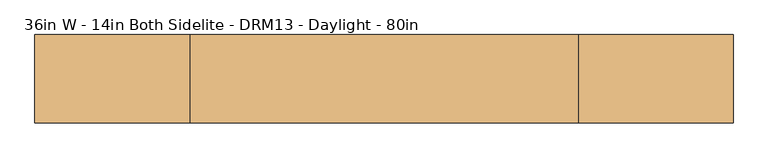
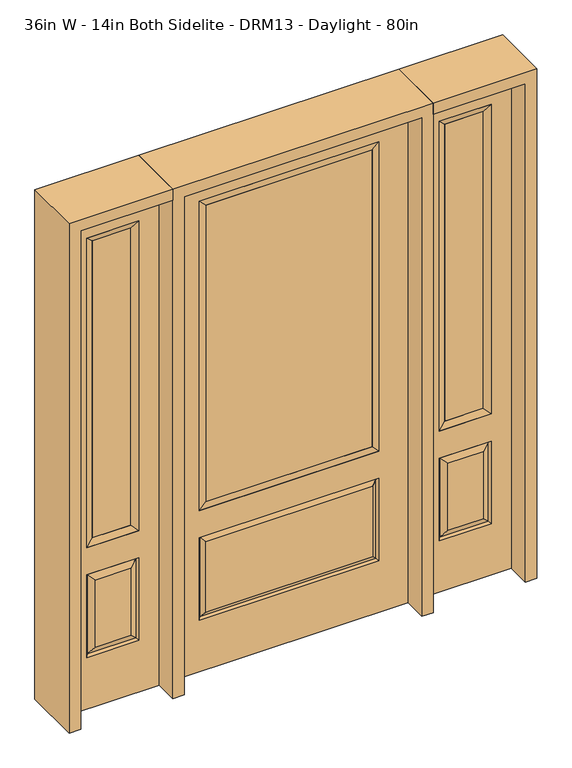
"""IFC4 building model written with IfcOpenShell, lengths in millimetres: door geometry, 36in W - 14in Both Sidelite - DRM13 - Daylight - 80in."""

from ifc_helpers import new_model, si_unit, frame, origin, place, context, project, spatial, polyline, outline, extrude, faceted_brep, source, transform, mapped, element, save


def door_36in_w_14in_both_sidelite_drm13_daylight_80in_899e8d08(model_context):
    return source(origin(), model_context, "Body", "SolidModel", [
        faceted_brep([(501.65, -22.225, 0.0), (857.25, -22.225, 0.0), (857.25, -22.225, 2032.0), (501.65, -22.225, 2032.0), (779.78, -22.225, 1919.224), (779.78, -22.225, 657.098), (579.12, -22.225, 657.098), (579.12, -22.225, 1919.224), (779.78, -22.225, 209.55), (579.12, -22.225, 209.55), (579.12, -22.225, 546.1), (779.78, -22.225, 546.1), (610.8351001, -22.225, 241.2651001), (748.0648999, -22.225, 241.2651001), (748.0648999, -22.225, 514.3848999), (610.8351001, -22.225, 514.3848999), (501.65, 22.225, 0.0), (501.65, 22.225, 2032.0), (857.25, 22.225, 2032.0), (857.25, 22.225, 0.0), (779.78, 22.225, 1919.224), (579.12, 22.225, 1919.224), (579.12, 22.225, 657.098), (779.78, 22.225, 657.098), (579.12, 22.225, 209.55), (779.78, 22.225, 209.55), (779.78, 22.225, 546.1), (579.12, 22.225, 546.1), (748.0648999, 22.225, 241.2651001), (610.8351001, 22.225, 241.2651001), (610.8351001, 22.225, 514.3848999), (748.0648999, 22.225, 514.3848999), (772.6711499, 12.7912373, 216.6588501), (586.2288501, 12.7912373, 216.6588501), (586.2288501, 12.7912373, 538.9911499), (772.6711499, 12.7912373, 538.9911499), (586.2288501, -12.7912373, 216.6588501), (772.6711499, -12.7912373, 216.6588501), (586.2288501, -12.7912373, 538.9911499), (772.6711499, -12.7912373, 538.9911499)], [[[0, 1, 2, 3], [4, 5, 6, 7], [8, 9, 10, 11]], [[12, 13, 14, 15]], [[16, 17, 18, 19], [20, 21, 22, 23], [24, 25, 26, 27]], [[28, 29, 30, 31]], [[1, 0, 16, 19]], [[2, 1, 19, 18]], [[3, 2, 18, 17]], [[0, 3, 17, 16]], [[5, 4, 20, 23]], [[6, 5, 23, 22]], [[7, 6, 22, 21]], [[4, 7, 21, 20]], [[32, 33, 29, 28]], [[33, 32, 25, 24]], [[29, 33, 34, 30]], [[33, 24, 27, 34]], [[30, 34, 35, 31]], [[34, 27, 26, 35]], [[32, 28, 31, 35]], [[25, 32, 35, 26]], [[12, 36, 37, 13]], [[37, 36, 9, 8]], [[36, 12, 15, 38]], [[9, 36, 38, 10]], [[38, 15, 14, 39]], [[10, 38, 39, 11]], [[13, 37, 39, 14]], [[37, 8, 11, 39]]]),
        faceted_brep([(579.12, 22.225, 1919.224), (579.12, -22.225, 1919.224), (779.78, -22.225, 1919.224), (779.78, 22.225, 1919.224), (604.52, 12.7, 1893.824), (754.38, 12.7, 1893.824), (604.52, -12.7, 1893.824), (754.38, -12.7, 1893.824), (779.78, -22.225, 657.098), (779.78, 22.225, 657.098), (754.38, 12.7, 682.498), (754.38, -12.7, 682.498), (579.12, -22.225, 657.098), (579.12, 22.225, 657.098), (604.52, 12.7, 682.498), (604.52, -12.7, 682.498)], [[[0, 1, 2, 3]], [[4, 0, 3, 5]], [[6, 4, 5, 7]], [[1, 6, 7, 2]], [[3, 2, 8, 9]], [[5, 3, 9, 10]], [[7, 5, 10, 11]], [[2, 7, 11, 8]], [[9, 8, 12, 13]], [[10, 9, 13, 14]], [[11, 10, 14, 15]], [[8, 11, 15, 12]], [[13, 12, 1, 0]], [[14, 13, 0, 4]], [[15, 14, 4, 6]], [[12, 15, 6, 1]]]),
        extrude(outline(polyline([(754.38, -12.7), (604.52, -12.7), (604.52, 12.7), (754.38, 12.7), (754.38, -12.7)])), frame((0.0, 0.0, 682.498), z_axis=(0.0, 0.0, 1.0), x_axis=(1.0, 0.0, 0.0)), (0.0, 0.0, 1.0), 1211.326),
        faceted_brep([(-857.25, -22.225, 0.0), (-501.65, -22.225, 0.0), (-501.65, -22.225, 2032.0), (-857.25, -22.225, 2032.0), (-579.12, -22.225, 1919.224), (-579.12, -22.225, 657.098), (-779.78, -22.225, 657.098), (-779.78, -22.225, 1919.224), (-579.12, -22.225, 209.55), (-779.78, -22.225, 209.55), (-779.78, -22.225, 546.1), (-579.12, -22.225, 546.1), (-748.0648999, -22.225, 241.2651001), (-610.8351001, -22.225, 241.2651001), (-610.8351001, -22.225, 514.3848999), (-748.0648999, -22.225, 514.3848999), (-857.25, 22.225, 0.0), (-857.25, 22.225, 2032.0), (-501.65, 22.225, 2032.0), (-501.65, 22.225, 0.0), (-579.12, 22.225, 1919.224), (-779.78, 22.225, 1919.224), (-779.78, 22.225, 657.098), (-579.12, 22.225, 657.098), (-779.78, 22.225, 209.55), (-579.12, 22.225, 209.55), (-579.12, 22.225, 546.1), (-779.78, 22.225, 546.1), (-610.8351001, 22.225, 241.2651001), (-748.0648999, 22.225, 241.2651001), (-748.0648999, 22.225, 514.3848999), (-610.8351001, 22.225, 514.3848999), (-586.2288501, 12.7912373, 216.6588501), (-772.6711499, 12.7912373, 216.6588501), (-772.6711499, 12.7912373, 538.9911499), (-586.2288501, 12.7912373, 538.9911499), (-772.6711499, -12.7912373, 216.6588501), (-586.2288501, -12.7912373, 216.6588501), (-772.6711499, -12.7912373, 538.9911499), (-586.2288501, -12.7912373, 538.9911499)], [[[0, 1, 2, 3], [4, 5, 6, 7], [8, 9, 10, 11]], [[12, 13, 14, 15]], [[16, 17, 18, 19], [20, 21, 22, 23], [24, 25, 26, 27]], [[28, 29, 30, 31]], [[1, 0, 16, 19]], [[2, 1, 19, 18]], [[3, 2, 18, 17]], [[0, 3, 17, 16]], [[5, 4, 20, 23]], [[6, 5, 23, 22]], [[7, 6, 22, 21]], [[4, 7, 21, 20]], [[32, 33, 29, 28]], [[33, 32, 25, 24]], [[29, 33, 34, 30]], [[33, 24, 27, 34]], [[30, 34, 35, 31]], [[34, 27, 26, 35]], [[32, 28, 31, 35]], [[25, 32, 35, 26]], [[12, 36, 37, 13]], [[37, 36, 9, 8]], [[36, 12, 15, 38]], [[9, 36, 38, 10]], [[38, 15, 14, 39]], [[10, 38, 39, 11]], [[13, 37, 39, 14]], [[37, 8, 11, 39]]]),
        faceted_brep([(-779.78, 22.225, 1919.224), (-779.78, -22.225, 1919.224), (-579.12, -22.225, 1919.224), (-579.12, 22.225, 1919.224), (-754.38, 12.7, 1893.824), (-604.52, 12.7, 1893.824), (-754.38, -12.7, 1893.824), (-604.52, -12.7, 1893.824), (-579.12, -22.225, 657.098), (-579.12, 22.225, 657.098), (-604.52, 12.7, 682.498), (-604.52, -12.7, 682.498), (-779.78, -22.225, 657.098), (-779.78, 22.225, 657.098), (-754.38, 12.7, 682.498), (-754.38, -12.7, 682.498)], [[[0, 1, 2, 3]], [[4, 0, 3, 5]], [[6, 4, 5, 7]], [[1, 6, 7, 2]], [[3, 2, 8, 9]], [[5, 3, 9, 10]], [[7, 5, 10, 11]], [[2, 7, 11, 8]], [[9, 8, 12, 13]], [[10, 9, 13, 14]], [[11, 10, 14, 15]], [[8, 11, 15, 12]], [[13, 12, 1, 0]], [[14, 13, 0, 4]], [[15, 14, 4, 6]], [[12, 15, 6, 1]]]),
        extrude(outline(polyline([(-604.52, -12.7), (-754.38, -12.7), (-754.38, 12.7), (-604.52, 12.7), (-604.52, -12.7)])), frame((0.0, 0.0, 682.498), z_axis=(0.0, 0.0, 1.0), x_axis=(1.0, 0.0, 0.0)), (0.0, 0.0, 1.0), 1211.326),
        faceted_brep([(-338.9661499, -12.7912373, 216.6588501), (338.9661499, -12.7912373, 216.6588501), (321.46875, -22.225, 234.15625), (-321.46875, -22.225, 234.15625), (-346.075, -22.225, 209.55), (346.075, -22.225, 209.55), (-338.9661499, -12.7912373, 538.9911499), (-346.075, -22.225, 546.1), (321.46875, -22.225, 521.49375), (-321.46875, -22.225, 521.49375), (457.2, -22.225, 2032.0), (-457.2, -22.225, 2032.0), (-457.2, -22.225, 0.0), (457.2, -22.225, 0.0), (346.075, -22.225, 546.1), (346.075, -22.225, 1917.7), (346.075, -22.225, 657.098), (-346.075, -22.225, 657.098), (-346.075, -22.225, 1917.7), (338.9661499, -12.7912373, 538.9911499), (-457.2, 22.225, 2032.0), (-457.2, 22.225, 0.0), (457.2, 22.225, 0.0), (457.2, 22.225, 2032.0), (346.075, 22.225, 1917.7), (346.075, 22.225, 657.098), (-346.075, 22.225, 657.098), (-346.075, 22.225, 1917.7), (-346.075, 22.225, 209.55), (346.075, 22.225, 209.55), (346.075, 22.225, 546.1), (-346.075, 22.225, 546.1), (321.46875, 22.225, 234.15625), (-321.46875, 22.225, 234.15625), (-321.46875, 22.225, 521.49375), (321.46875, 22.225, 521.49375), (-338.9661499, 12.7912373, 216.6588501), (338.9661499, 12.7912373, 216.6588501), (338.9661499, 12.7912373, 538.9911499), (-338.9661499, 12.7912373, 538.9911499)], [[[0, 1, 2, 3]], [[1, 0, 4, 5]], [[4, 0, 6, 7]], [[3, 2, 8, 9]], [[10, 11, 12, 13], [5, 4, 7, 14], [15, 16, 17, 18]], [[1, 5, 14, 19]], [[2, 1, 19, 8]], [[0, 3, 9, 6]], [[7, 6, 19, 14]], [[6, 9, 8, 19]], [[12, 11, 20, 21]], [[13, 12, 21, 22]], [[10, 13, 22, 23]], [[16, 15, 24, 25]], [[17, 16, 25, 26]], [[18, 17, 26, 27]], [[23, 22, 21, 20], [28, 29, 30, 31], [24, 27, 26, 25]], [[32, 33, 34, 35]], [[28, 36, 37, 29]], [[29, 37, 38, 30]], [[39, 31, 30, 38]], [[36, 28, 31, 39]], [[37, 36, 33, 32]], [[33, 36, 39, 34]], [[34, 39, 38, 35]], [[37, 32, 35, 38]], [[11, 10, 23, 20]], [[15, 18, 27, 24]]]),
        faceted_brep([(-346.075, -22.225, 1917.7), (-346.075, 22.225, 1917.7), (-346.075, 22.225, 657.098), (-346.075, -22.225, 657.098), (346.075, 22.225, 657.098), (346.075, -22.225, 657.098), (-320.675, 5.08, 682.498), (320.675, 5.08, 682.498), (346.075, 22.225, 1917.7), (346.075, -22.225, 1917.7), (-320.675, -20.32, 682.498), (320.675, -20.32, 682.498), (-320.675, -20.32, 1892.3), (320.675, -20.32, 1892.3), (-320.675, 5.08, 1892.3), (320.675, 5.08, 1892.3)], [[[0, 1, 2, 3]], [[3, 2, 4, 5]], [[2, 6, 7, 4]], [[5, 4, 8, 9]], [[10, 3, 5, 11]], [[12, 0, 3, 10]], [[11, 5, 9, 13]], [[6, 10, 11, 7]], [[14, 12, 10, 6]], [[7, 11, 13, 15]], [[1, 14, 6, 2]], [[4, 7, 15, 8]], [[9, 8, 1, 0]], [[13, 9, 0, 12]], [[15, 13, 12, 14]], [[8, 15, 14, 1]]]),
        extrude(outline(polyline([(320.675, -20.32), (-320.675, -20.32), (-320.675, 5.08), (320.675, 5.08), (320.675, -20.32)])), frame((0.0, 0.0, 682.498), z_axis=(0.0, 0.0, 1.0), x_axis=(1.0, 0.0, 0.0)), (0.0, 0.0, 1.0), 1209.802),
        extrude(outline(polyline([(2032.0, -501.65), (2076.45, -501.65), (2076.45, -901.7), (0.0, -901.7), (0.0, -857.25), (2032.0, -857.25), (2032.0, -501.65)])), frame((0.0, -114.3, 0.0), z_axis=(0.0, 1.0, 0.0), x_axis=(0.0, 0.0, 1.0)), (0.0, 0.0, 1.0), 228.6),
        extrude(outline(polyline([(2076.45, -501.65), (0.0, -501.65), (0.0, -457.2), (2032.0, -457.2), (2032.0, 457.2), (0.0, 457.2), (0.0, 501.65), (2076.45, 501.65), (2076.45, -501.65)])), frame((0.0, -114.3, 0.0), z_axis=(0.0, 1.0, 0.0), x_axis=(0.0, 0.0, 1.0)), (0.0, 0.0, 1.0), 228.6),
        extrude(outline(polyline([(0.0, 857.25), (0.0, 901.7), (2076.45, 901.7), (2076.45, 501.65), (2032.0, 501.65), (2032.0, 857.25), (0.0, 857.25)])), frame((0.0, -114.3, 0.0), z_axis=(0.0, 1.0, 0.0), x_axis=(0.0, 0.0, 1.0)), (0.0, 0.0, 1.0), 228.6),
    ])


if __name__ == "__main__":
    model = new_model("IFC4")
    model_context = context("Model", 3, world=origin())
    ifc_project = project(units=[si_unit("LENGTHUNIT", "METRE", prefix="MILLI")], contexts=[model_context])
    site = spatial("IfcSite", under=ifc_project)
    building = spatial("IfcBuilding", under=site)
    placement = place(None, origin())
    door_36in_w_14in_both_sidelite_drm13_daylight_80in_shape = door_36in_w_14in_both_sidelite_drm13_daylight_80in_899e8d08(model_context)
    element("IfcDoor", 1, ObjectType="36in W - 14in Both Sidelite - DRM13 - Daylight - 80in", at=placement, inside=building, context=model_context, shape_type="MappedRepresentation", body=[
        mapped(door_36in_w_14in_both_sidelite_drm13_daylight_80in_shape, transform((0.0, 0.0, 0.0), x_axis=(1.0, 0.0, 0.0), y_axis=(0.0, 1.0, 0.0), z_axis=(0.0, 0.0, 1.0))),
    ])
    save(model, "model.ifc")
